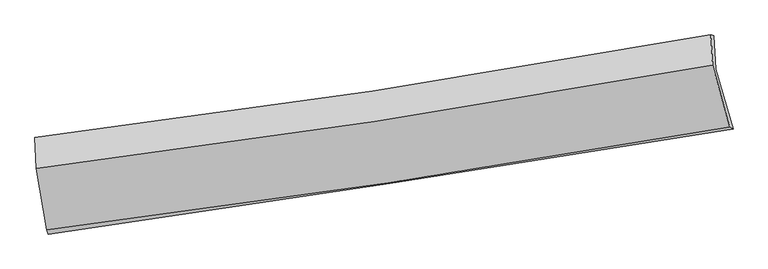
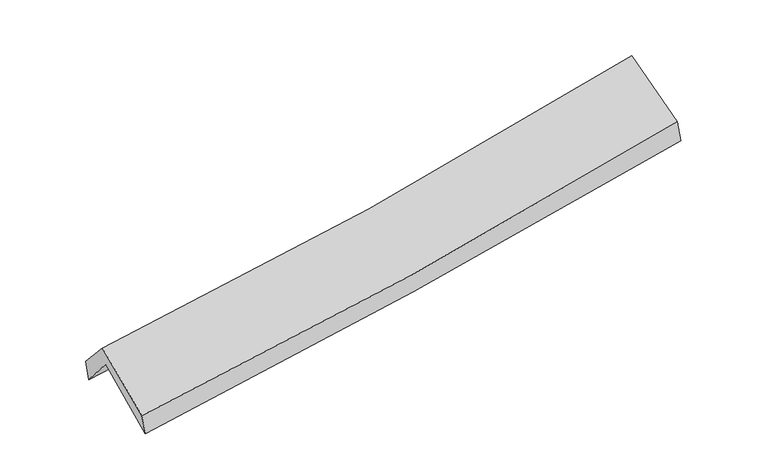
"""IFC4 building model written with IfcOpenShell, lengths in millimetres: proxy geometry."""

from ifc_helpers import new_model, si_unit, frame, origin, place, context, project, spatial, source, transform, mapped, element, save
from ifc_brep_helpers import plane_surface, spline_curve, spline_surface, advanced_brep


def generic_models_9daa87bc(model_context):
    return source(origin(), model_context, "Body", "AdvancedBrep", [
        advanced_brep(
        [(-2718.8512646, -2504.5041223, 1474.2700275), (-2804.5556347, -1996.58163, 1897.7707497), (2743.6705727, -1152.2357975, 2378.1621424), (2886.3661202, -1643.390024, 1943.3718569), (-2815.2731432, -1739.6696109, 1591.540562), (2730.0070402, -879.4409249, 2072.0633002), (-2829.3218165, -1710.9747288, 1762.3014021), (2705.4979763, -870.6420102, 2263.1228833), (-2817.6315881, -1964.2197846, 2046.2075697), (2718.0015002, -1120.2771048, 2543.2345023), (-2733.3530928, -2469.3602857, 1640.2804748), (2860.760107, -1628.0485987, 2133.5122403)],
        [
            (0, 1),
            (1, 2, spline_curve(3, [(-2804.5556347, -1996.58163, 1897.7707497), (-1878.054667779, -1879.582620114, 1953.299784175), (-954.408746535, -1751.069846066, 2020.874917654), (895.049039928, -1469.819044838, 2180.798426735), (1820.811854232, -1316.883208095, 2273.353757507), (2743.6705727, -1152.2357975, 2378.1621424)], [4, 2, 4], [0.0, 9.248866469537514, 18.576843627063568])),
            (2, 3),
            (3, 0, spline_curve(3, [(2886.3661202, -1643.390024, 1943.3718569), (1950.832178848, -1797.534613329, 1844.077438923), (1013.968940851, -1946.650685122, 1755.21617774), (-854.459305928, -2233.603785971, 1599.025118172), (-1786.001863094, -2371.525746852, 1531.519102961), (-2718.8512646, -2504.5041223, 1474.2700275)], [4, 2, 4], [0.0, 9.327977157526053, 18.576843627063568])),
            (1, 4),
            (4, 5, spline_curve(3, [(-2815.2731432, -1739.6696109, 1591.540562), (-1888.30672553, -1619.150157055, 1637.101735855), (-964.670503557, -1487.557343113, 1699.68256664), (883.813438169, -1201.004690916, 1859.564410515), (1808.603943737, -1045.854609698, 1957.157825502), (2730.0070402, -879.4409249, 2072.0633002)], [4, 2, 4], [0.0, 9.202310049244467, 18.483332563576127])),
            (5, 2),
            (4, 6),
            (6, 7, spline_curve(3, [(-2829.3218165, -1710.9747288, 1762.3014021), (-1904.04487083, -1597.106417766, 1817.904131977), (-982.121272838, -1470.497243082, 1887.204307936), (862.876269794, -1190.605228302, 2053.909475584), (1785.892602412, -1037.103496919, 2151.549793635), (2705.4979763, -870.6420102, 2263.1228833)], [4, 2, 4], [0.0, 9.192728672305892, 18.464087854864406])),
            (7, 5),
            (6, 8),
            (8, 9, spline_curve(3, [(-2817.6315881, -1964.2197846, 2046.2075697), (-1892.279423426, -1848.709629715, 2099.997895793), (-970.250856866, -1720.977763964, 2168.074485496), (875.017272735, -1439.873509619, 2333.504688103), (1798.199735945, -1286.29114896, 2431.103742188), (2718.0015002, -1120.2771048, 2543.2345023)], [4, 2, 4], [0.0, 9.183992620346048, 18.446541026643843])),
            (9, 7),
            (8, 10),
            (10, 11, spline_curve(3, [(-2733.3530928, -2469.3602857, 1640.2804748), (-1799.685317683, -2352.352088299, 1695.013962641), (-868.649315364, -2224.085397161, 1763.250565675), (996.100298993, -1943.841592302, 1927.429166898), (1929.768696817, -1791.671054017, 2023.603152391), (2860.760107, -1628.0485987, 2133.5122403)], [4, 2, 4], [0.0, 9.231101273580315, 18.541161279568552])),
            (11, 9),
            (10, 0),
            (3, 11),
        ],
        [
            spline_surface(3, 3, [[(-2718.8512646, -2504.5041223, 1474.2700275), (-1786.001862966, -2371.525746706, 1531.519103038), (-854.459305976, -2233.603785859, 1599.025118231), (1013.968940899, -1946.650685235, 1755.21617768), (1950.832178857, -1797.534613322, 1844.077438936), (2886.3661202, -1643.390024, 1943.3718569)], [(-2747.419387953, -2335.196624863, 1615.436934898), (-1816.686131202, -2207.54470451, 1672.112663455), (-887.775786128, -2072.759139267, 1739.641718041), (974.328973877, -1787.706805114, 1897.076927321), (1907.492070707, -1637.317478244, 1987.169545096), (2838.800937719, -1479.671948505, 2088.301952036)], [(-2775.987511347, -2165.889127437, 1756.603842302), (-1847.370399481, -2043.563662325, 1812.706223875), (-921.092266284, -1911.91449265, 1880.258317913), (934.68900685, -1628.762924967, 2038.937677025), (1864.1519625, -1477.100343151, 2130.261651349), (2791.235755181, -1315.953872995, 2233.232047264)], [(-2804.5556347, -1996.58163, 1897.7707497), (-1878.054667718, -1879.582620129, 1953.299784291), (-954.408746436, -1751.069846059, 2020.874917722), (895.049039828, -1469.819044846, 2180.798426666), (1820.811854351, -1316.883208073, 2273.353757509), (2743.6705727, -1152.2357975, 2378.1621424)]], [4, 4], [4, 2, 4], [0.0, 2.1303115317936046], [0.0, 9.248866469537514, 18.576843627063568]),
            spline_surface(3, 3, [[(-2804.5556347, -1996.58163, 1897.7707497), (-1878.054667718, -1879.582620129, 1953.299784291), (-954.408746436, -1751.069846059, 2020.874917722), (895.049039828, -1469.819044846, 2180.798426666), (1820.811854351, -1316.883208073, 2273.353757509), (2743.6705727, -1152.2357975, 2378.1621424)], [(-2808.128137556, -1910.944290297, 1795.694020453), (-1881.472020343, -1792.771799133, 1847.900434754), (-957.82933208, -1663.232345042, 1913.810800723), (891.303839258, -1380.214260238, 2073.720421253), (1816.742550805, -1226.540341983, 2167.955113509), (2739.116061863, -1061.304173284, 2276.129195006)], [(-2811.700640344, -1825.306950603, 1693.617291247), (-1884.889372902, -1705.960978147, 1742.501085258), (-961.249917793, -1575.394844024, 1806.746683725), (887.558638618, -1290.609475631, 1966.642415841), (1812.673247271, -1136.19747594, 2062.556469492), (2734.561551037, -970.372549116, 2174.096247594)], [(-2815.2731432, -1739.6696109, 1591.540562), (-1888.306725528, -1619.150157151, 1637.101735721), (-964.670503437, -1487.557343007, 1699.682566726), (883.813438048, -1201.004691023, 1859.564410428), (1808.603943725, -1045.85460985, 1957.157825493), (2730.0070402, -879.4409249, 2072.0633002)]], [4, 4], [4, 2, 4], [0.0, 1.3691304925727146], [0.0, 9.202310049244467, 18.483332563576127]),
            spline_surface(3, 3, [[(-2815.2731432, -1739.6696109, 1591.540562), (-1888.306725528, -1619.150157151, 1637.101735721), (-964.670503437, -1487.557343007, 1699.682566726), (883.813438048, -1201.004691023, 1859.564410428), (1808.603943725, -1045.85460985, 1957.157825493), (2730.0070402, -879.4409249, 2072.0633002)], [(-2819.956034307, -1730.104650195, 1648.460842045), (-1893.552773962, -1611.802244008, 1697.369201181), (-970.487426541, -1481.870643024, 1762.189813778), (876.834381905, -1197.538203476, 1924.346098874), (1801.033496625, -1042.937572192, 2021.95514824), (2721.837352215, -876.507953342, 2135.749827926)], [(-2824.638925393, -1720.539689505, 1705.381122055), (-1898.798822376, -1604.454330879, 1757.636666607), (-976.304349601, -1476.183943014, 1824.697060766), (869.855325804, -1194.071715902, 1989.127787256), (1793.46304958, -1040.020534506, 2086.75247091), (2713.667664285, -873.574981758, 2199.436355574)], [(-2829.3218165, -1710.9747288, 1762.3014021), (-1904.04487081, -1597.106417735, 1817.904132067), (-982.121272705, -1470.49724303, 1887.204307818), (862.87626966, -1190.605228354, 2053.909475702), (1785.892602479, -1037.103496847, 2151.549793658), (2705.4979763, -870.6420102, 2263.1228833)]], [4, 4], [4, 2, 4], [0.0, 0.6312808438985443], [0.0, 9.192728672305892, 18.464087854864406]),
            spline_surface(3, 3, [[(-2829.3218165, -1710.9747288, 1762.3014021), (-1904.04487081, -1597.106417735, 1817.904132067), (-982.121272705, -1470.49724303, 1887.204307818), (862.87626966, -1190.605228354, 2053.909475702), (1785.892602479, -1037.103496847, 2151.549793658), (2705.4979763, -870.6420102, 2263.1228833)], [(-2825.425073696, -1795.389747388, 1856.936791284), (-1900.123054985, -1680.974155071, 1911.935386633), (-978.164467443, -1553.990749975, 1980.827700404), (866.923270729, -1273.694655442, 2147.107879761), (1789.994980286, -1120.166047529, 2244.734443188), (2709.665817626, -953.853708399, 2356.493422957)], [(-2821.528330904, -1879.804766012, 1951.572180516), (-1896.201239171, -1764.841892442, 2005.966641245), (-974.207662221, -1637.484256971, 2074.451093061), (870.970271759, -1356.78408258, 2240.306283892), (1794.097358015, -1203.228598213, 2337.919092747), (2713.833658874, -1037.065406601, 2449.863962643)], [(-2817.6315881, -1964.2197846, 2046.2075697), (-1892.279423346, -1848.709629778, 2099.997895811), (-970.250856959, -1720.977763916, 2168.074485647), (875.017272828, -1439.873509668, 2333.504687951), (1798.199735821, -1286.291148896, 2431.103742277), (2718.0015002, -1120.2771048, 2543.2345023)]], [4, 4], [4, 2, 4], [0.0, 1.232417948232458], [0.0, 9.183992620346048, 18.446541026643843]),
            spline_surface(3, 3, [[(-2817.6315881, -1964.2197846, 2046.2075697), (-1892.279423346, -1848.709629778, 2099.997895811), (-970.250856959, -1720.977763916, 2168.074485647), (875.017272828, -1439.873509668, 2333.504687951), (1798.199735821, -1286.291148896, 2431.103742277), (2718.0015002, -1120.2771048, 2543.2345023)], [(-2789.538756321, -2132.599951642, 1910.898538064), (-1861.414721409, -2016.590449251, 1965.003251429), (-936.383676479, -1888.680308351, 2033.133178978), (915.378281549, -1607.86287052, 2198.146180952), (1842.056056157, -1454.751117314, 2295.270212334), (2765.58770245, -1289.534269432, 2406.660414968)], [(-2761.445924579, -2300.980118658, 1775.589506436), (-1830.550019509, -2184.471268698, 1830.008607056), (-902.516495921, -2056.382852795, 1898.191872298), (955.73929035, -1775.85223138, 2062.787673943), (1885.912376543, -1623.211085738, 2159.436682385), (2813.17390475, -1458.791434068, 2270.086327632)], [(-2733.3530928, -2469.3602857, 1640.2804748), (-1799.685317572, -2352.35208817, 1695.013962674), (-868.649315441, -2224.085397231, 1763.250565629), (996.100299071, -1943.841592232, 1927.429166945), (1929.768696879, -1791.671054156, 2023.603152442), (2860.760107, -1628.0485987, 2133.5122403)]], [4, 4], [4, 2, 4], [0.0, 2.152299849613436], [0.0, 9.231101273580315, 18.541161279568552]),
            spline_surface(3, 3, [[(-2733.3530928, -2469.3602857, 1640.2804748), (-1799.685317572, -2352.35208817, 1695.013962674), (-868.649315441, -2224.085397231, 1763.250565629), (996.100299071, -1943.841592232, 1927.429166945), (1929.768696879, -1791.671054156, 2023.603152442), (2860.760107, -1628.0485987, 2133.5122403)], [(-2728.519150068, -2481.074897915, 1584.943659056), (-1795.124166038, -2358.743307697, 1640.515676151), (-863.919312283, -2227.258193442, 1708.50874985), (1002.056513017, -1944.777956568, 1870.02483721), (1936.789857533, -1793.625573883, 1963.761247947), (2869.295444728, -1633.162407138, 2070.132112507)], [(-2723.685207332, -2492.789510085, 1529.606843244), (-1790.5630145, -2365.134527179, 1586.017389561), (-859.189309134, -2230.430989648, 1653.76693401), (1008.012726954, -1945.714320899, 1812.620507415), (1943.811018203, -1795.580093596, 1903.919343431), (2877.830782472, -1638.276215562, 2006.751984693)], [(-2718.8512646, -2504.5041223, 1474.2700275), (-1786.001862966, -2371.525746706, 1531.519103038), (-854.459305976, -2233.603785859, 1599.025118231), (1013.968940899, -1946.650685235, 1755.21617768), (1950.832178857, -1797.534613322, 1844.077438936), (2886.3661202, -1643.390024, 1943.3718569)]], [4, 4], [4, 2, 4], [0.0, 0.5548820725700252], [0.0, 9.286376924267909, 18.65218538426178]),
            plane_surface(frame((2774.0505528, -1215.67241, 2222.2444876), z_axis=(0.9766509727743353, 0.18018623113342386, 0.11698632180249531), x_axis=(0.21374396427627876, -0.760256033056349, -0.6134527544455926))),
            plane_surface(frame((-2786.4977567, -2064.2183604, 1735.395131), z_axis=(-0.9913664666054202, -0.11544958564570967, -0.062160454185265265), x_axis=(-0.08515053136816197, 0.2063544212605737, 0.9747652229300825))),
        ],
        [
            (0, [[1, 2, 3, 4]]),
            (1, [[5, 6, 7, -2]]),
            (2, [[8, 9, 10, -6]]),
            (3, [[11, 12, 13, -9]]),
            (4, [[14, 15, 16, -12]]),
            (5, [[17, -4, 18, -15]]),
            (6, [[-16, -18, -3, -7, -10, -13]]),
            (7, [[-17, -14, -11, -8, -5, -1]]),
        ],
    ),
    ])


if __name__ == "__main__":
    model = new_model("IFC4")
    model_context = context("Model", 3, world=origin())
    ifc_project = project(units=[si_unit("LENGTHUNIT", "METRE", prefix="MILLI")], contexts=[model_context])
    site = spatial("IfcSite", under=ifc_project)
    building = spatial("IfcBuilding", under=site)
    placement = place(None, origin())
    generic_models_shape = generic_models_9daa87bc(model_context)
    element("IfcBuildingElementProxy", 1, Name="Generic Models", at=placement, inside=building, context=model_context, shape_type="MappedRepresentation", body=[
        mapped(generic_models_shape, transform((0.0, 0.0, 0.0), x_axis=(1.0, 0.0, 0.0), y_axis=(0.0, 1.0, 0.0), z_axis=(0.0, 0.0, 1.0))),
    ])
    save(model, "model.ifc")
